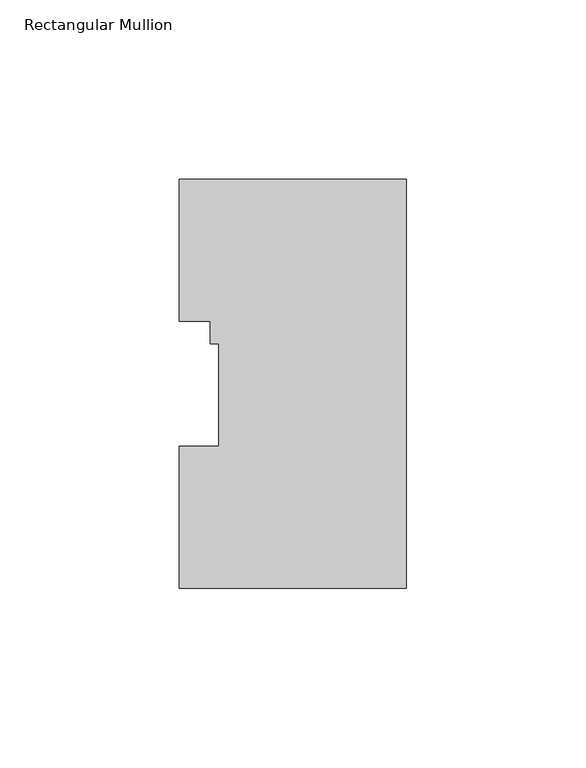
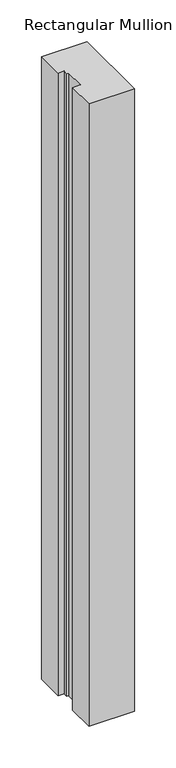
"""IFC4 building model written with IfcOpenShell, lengths in millimetres: member geometry, Rectangular Mullion."""

from ifc_helpers import new_model, si_unit, frame, origin, place, context, project, spatial, polyline, outline, extrude, source, transform, mapped, element, save


def rectangular_mullion_501795af(model_context):
    return source(origin(), model_context, "Body", "SweptSolid", [
        extrude(outline(polyline([(-63.5, 114.271425), (0.0, 114.271425), (0.0, -0.028575), (-63.5, -0.028575), (-63.5, 39.646225), (-52.3875, 39.646225), (-52.3875, 68.246625), (-54.7624, 68.246625), (-54.7624, 74.596625), (-63.5, 74.596625), (-63.5, 114.271425)])), frame((0.0, 0.0, -914.4), z_axis=(0.0, 0.0, 1.0), x_axis=(1.0, 0.0, 0.0)), (0.0, 0.0, 1.0), 914.4),
    ])


if __name__ == "__main__":
    model = new_model("IFC4")
    model_context = context("Model", 3, world=origin())
    ifc_project = project(units=[si_unit("LENGTHUNIT", "METRE", prefix="MILLI")], contexts=[model_context])
    site = spatial("IfcSite", under=ifc_project)
    building = spatial("IfcBuilding", under=site)
    placement = place(None, origin())
    rectangular_mullion_shape = rectangular_mullion_501795af(model_context)
    element("IfcMember", 1, ObjectType="Rectangular Mullion", at=placement, inside=building, context=model_context, shape_type="MappedRepresentation", body=[
        mapped(rectangular_mullion_shape, transform((0.0, 0.0, 0.0), x_axis=(1.0, 0.0, 0.0), y_axis=(0.0, 1.0, 0.0), z_axis=(0.0, 0.0, 1.0))),
    ])
    save(model, "model.ifc")
